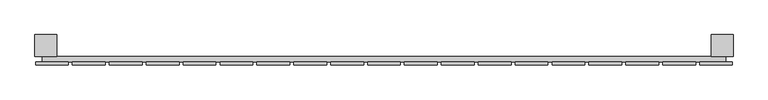
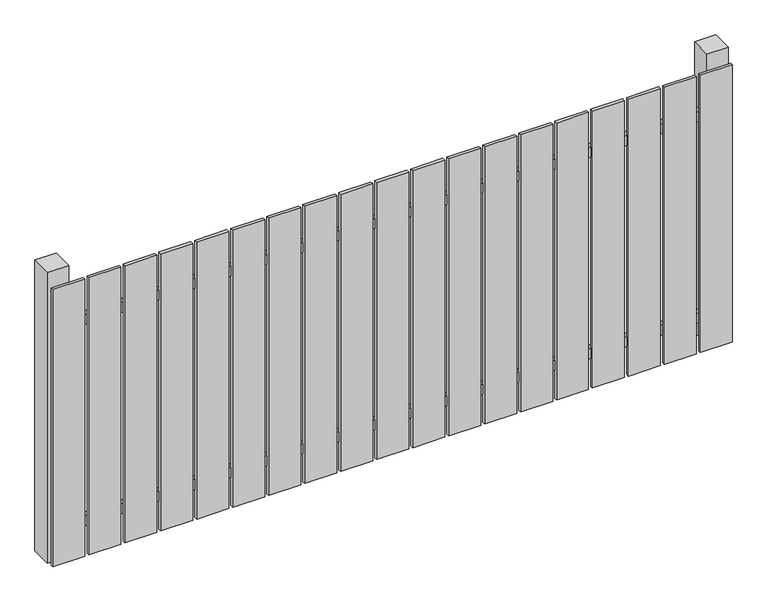
"""IFC4 building model written with IfcOpenShell, lengths in millimetres: railing geometry."""

from ifc_helpers import new_model, si_unit, frame, origin, origin_with_axes, place, context, project, spatial, polyline, outline, extrude, source, transform, mapped, element, save


def railing_c1cbcb14(model_context):
    return source(origin(), model_context, "Body", "SweptSolid", [
        extrude(outline(polyline([(6087.4299228, -116939.0267127), (6087.4299228, -116919.0267127), (8587.4299228, -116919.0267127), (8587.4299228, -116939.0267127), (6087.4299228, -116939.0267127)])), frame((0.0, 0.0, 110.0), z_axis=(0.0, 0.0, 1.0), x_axis=(1.0, 0.0, 0.0)), (0.0, 0.0, 1.0), 40.0),
        extrude(outline(polyline([(6087.4299228, -116939.0267127), (6087.4299228, -116919.0267127), (8587.4299228, -116919.0267127), (8587.4299228, -116939.0267127), (6087.4299228, -116939.0267127)])), frame((0.0, 0.0, 910.0), z_axis=(0.0, 0.0, 1.0), x_axis=(1.0, 0.0, 0.0)), (0.0, 0.0, 1.0), 40.0),
        extrude(outline(polyline([(8492.4299228, -116950.5267127), (8492.4299228, -116939.5267127), (8612.4299228, -116939.5267127), (8612.4299228, -116950.5267127), (8492.4299228, -116950.5267127)])), origin_with_axes(), (0.0, 0.0, 1.0), 1100.0),
        extrude(outline(polyline([(8357.4299228, -116950.5267127), (8357.4299228, -116939.5267127), (8477.4299228, -116939.5267127), (8477.4299228, -116950.5267127), (8357.4299228, -116950.5267127)])), origin_with_axes(), (0.0, 0.0, 1.0), 1100.0),
        extrude(outline(polyline([(8222.4299228, -116950.5267127), (8222.4299228, -116939.5267127), (8342.4299228, -116939.5267127), (8342.4299228, -116950.5267127), (8222.4299228, -116950.5267127)])), origin_with_axes(), (0.0, 0.0, 1.0), 1100.0),
        extrude(outline(polyline([(8087.4299228, -116950.5267127), (8087.4299228, -116939.5267127), (8207.4299228, -116939.5267127), (8207.4299228, -116950.5267127), (8087.4299228, -116950.5267127)])), origin_with_axes(), (0.0, 0.0, 1.0), 1100.0),
        extrude(outline(polyline([(7952.4299228, -116950.5267127), (7952.4299228, -116939.5267127), (8072.4299228, -116939.5267127), (8072.4299228, -116950.5267127), (7952.4299228, -116950.5267127)])), origin_with_axes(), (0.0, 0.0, 1.0), 1100.0),
        extrude(outline(polyline([(7817.4299228, -116950.5267127), (7817.4299228, -116939.5267127), (7937.4299228, -116939.5267127), (7937.4299228, -116950.5267127), (7817.4299228, -116950.5267127)])), origin_with_axes(), (0.0, 0.0, 1.0), 1100.0),
        extrude(outline(polyline([(7682.4299228, -116950.5267127), (7682.4299228, -116939.5267127), (7802.4299228, -116939.5267127), (7802.4299228, -116950.5267127), (7682.4299228, -116950.5267127)])), origin_with_axes(), (0.0, 0.0, 1.0), 1100.0),
        extrude(outline(polyline([(7547.4299228, -116950.5267127), (7547.4299228, -116939.5267127), (7667.4299228, -116939.5267127), (7667.4299228, -116950.5267127), (7547.4299228, -116950.5267127)])), origin_with_axes(), (0.0, 0.0, 1.0), 1100.0),
        extrude(outline(polyline([(7412.4299228, -116950.5267127), (7412.4299228, -116939.5267127), (7532.4299228, -116939.5267127), (7532.4299228, -116950.5267127), (7412.4299228, -116950.5267127)])), origin_with_axes(), (0.0, 0.0, 1.0), 1100.0),
        extrude(outline(polyline([(7277.4299228, -116950.5267127), (7277.4299228, -116939.5267127), (7397.4299228, -116939.5267127), (7397.4299228, -116950.5267127), (7277.4299228, -116950.5267127)])), origin_with_axes(), (0.0, 0.0, 1.0), 1100.0),
        extrude(outline(polyline([(7142.4299228, -116950.5267127), (7142.4299228, -116939.5267127), (7262.4299228, -116939.5267127), (7262.4299228, -116950.5267127), (7142.4299228, -116950.5267127)])), origin_with_axes(), (0.0, 0.0, 1.0), 1100.0),
        extrude(outline(polyline([(7007.4299228, -116950.5267127), (7007.4299228, -116939.5267127), (7127.4299228, -116939.5267127), (7127.4299228, -116950.5267127), (7007.4299228, -116950.5267127)])), origin_with_axes(), (0.0, 0.0, 1.0), 1100.0),
        extrude(outline(polyline([(6872.4299228, -116950.5267127), (6872.4299228, -116939.5267127), (6992.4299228, -116939.5267127), (6992.4299228, -116950.5267127), (6872.4299228, -116950.5267127)])), origin_with_axes(), (0.0, 0.0, 1.0), 1100.0),
        extrude(outline(polyline([(6737.4299228, -116950.5267127), (6737.4299228, -116939.5267127), (6857.4299228, -116939.5267127), (6857.4299228, -116950.5267127), (6737.4299228, -116950.5267127)])), origin_with_axes(), (0.0, 0.0, 1.0), 1100.0),
        extrude(outline(polyline([(6602.4299228, -116950.5267127), (6602.4299228, -116939.5267127), (6722.4299228, -116939.5267127), (6722.4299228, -116950.5267127), (6602.4299228, -116950.5267127)])), origin_with_axes(), (0.0, 0.0, 1.0), 1100.0),
        extrude(outline(polyline([(6467.4299228, -116950.5267127), (6467.4299228, -116939.5267127), (6587.4299228, -116939.5267127), (6587.4299228, -116950.5267127), (6467.4299228, -116950.5267127)])), origin_with_axes(), (0.0, 0.0, 1.0), 1100.0),
        extrude(outline(polyline([(6332.4299228, -116950.5267127), (6332.4299228, -116939.5267127), (6452.4299228, -116939.5267127), (6452.4299228, -116950.5267127), (6332.4299228, -116950.5267127)])), origin_with_axes(), (0.0, 0.0, 1.0), 1100.0),
        extrude(outline(polyline([(6197.4299228, -116950.5267127), (6197.4299228, -116939.5267127), (6317.4299228, -116939.5267127), (6317.4299228, -116950.5267127), (6197.4299228, -116950.5267127)])), origin_with_axes(), (0.0, 0.0, 1.0), 1100.0),
        extrude(outline(polyline([(6062.4299228, -116950.5267127), (6062.4299228, -116939.5267127), (6182.4299228, -116939.5267127), (6182.4299228, -116950.5267127), (6062.4299228, -116950.5267127)])), origin_with_axes(), (0.0, 0.0, 1.0), 1100.0),
        extrude(outline(polyline([(8534.9299228, -116839.0267127), (8614.9299228, -116839.0267127), (8614.9299228, -116919.0267127), (8534.9299228, -116919.0267127), (8534.9299228, -116839.0267127)])), frame((0.0, 0.0, -4.0), z_axis=(0.0, 0.0, 1.0), x_axis=(1.0, 0.0, 0.0)), (0.0, 0.0, 1.0), 1154.0),
        extrude(outline(polyline([(6059.9299228, -116839.0267127), (6139.9299228, -116839.0267127), (6139.9299228, -116919.0267127), (6059.9299228, -116919.0267127), (6059.9299228, -116839.0267127)])), frame((0.0, 0.0, -4.0), z_axis=(0.0, 0.0, 1.0), x_axis=(1.0, 0.0, 0.0)), (0.0, 0.0, 1.0), 1154.0),
    ])


if __name__ == "__main__":
    model = new_model("IFC4")
    model_context = context("Model", 3, world=origin())
    ifc_project = project(units=[si_unit("LENGTHUNIT", "METRE", prefix="MILLI")], contexts=[model_context])
    site = spatial("IfcSite", under=ifc_project)
    building = spatial("IfcBuilding", under=site)
    placement = place(None, origin())
    railing_shape = railing_c1cbcb14(model_context)
    element("IfcRailing", 1, at=placement, inside=building, context=model_context, shape_type="MappedRepresentation", body=[
        mapped(railing_shape, transform((0.0, 0.0, 0.0), x_axis=(1.0, 0.0, 0.0), y_axis=(0.0, 1.0, 0.0), z_axis=(0.0, 0.0, 1.0))),
    ])
    save(model, "model.ifc")
